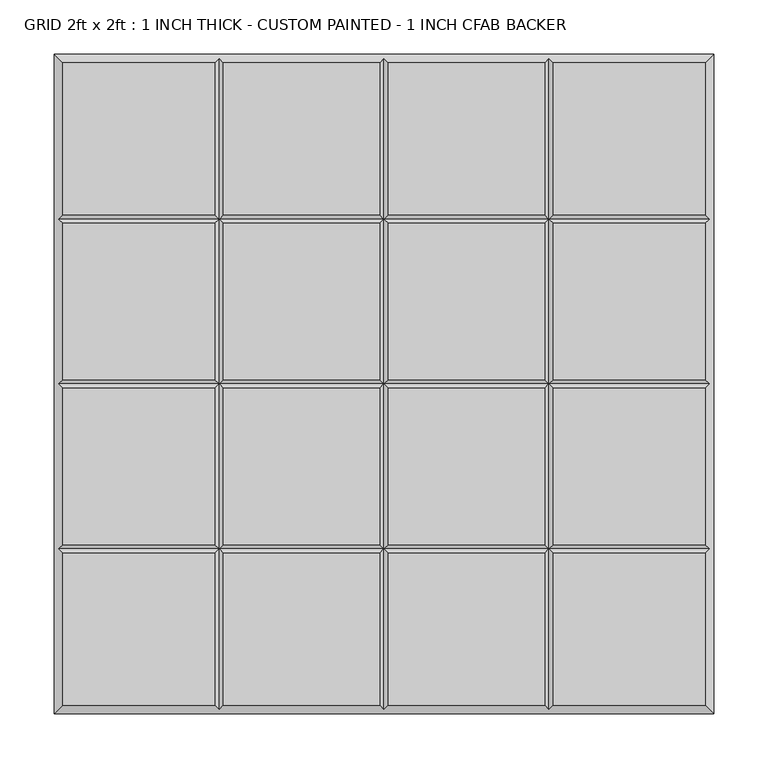
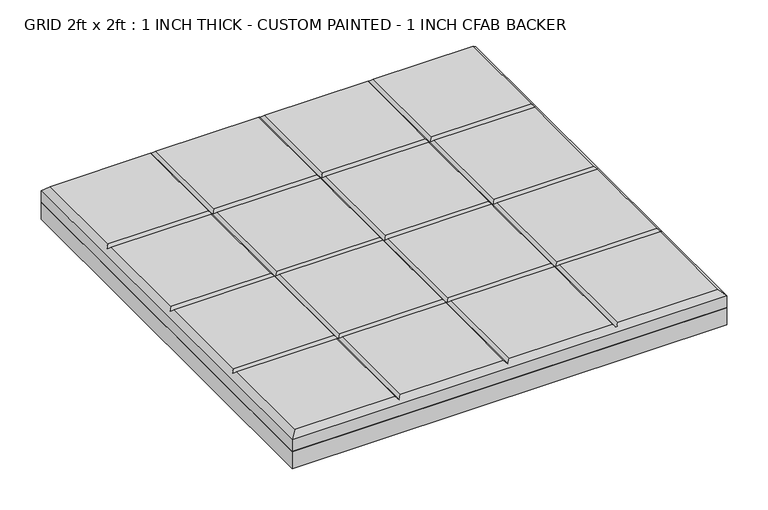
"""IFC4 building model written with IfcOpenShell, lengths in millimetres: proxy geometry, GRID 2ft x 2ft : 1 INCH THICK - CUSTOM PAINTED - 1 INCH CFAB BACKER."""

from ifc_helpers import new_model, si_unit, frame, origin, place, context, project, spatial, polyline, outline, extrude, faceted_brep, source, transform, mapped, element, save


def grid_2ft_x_2ft_1_inch_thick_custom_painted_1_inch_cfab_98970fe5(model_context):
    return source(origin(), model_context, "Body", "SolidModel", [
        extrude(outline(polyline([(-304.8, 304.8), (304.8, 304.8), (304.8, -304.8), (-304.8, -304.8), (-304.8, 304.8)])), frame((0.0, 0.0, -25.4), z_axis=(0.0, 0.0, 1.0), x_axis=(1.0, 0.0, 0.0)), (0.0, 0.0, 1.0), 25.4),
        faceted_brep([(-156.4009826, 296.799, 25.4), (-296.799, 296.799, 25.4), (-296.799, 156.4005254, 25.4), (-156.4009826, 156.4005254, 25.4), (-296.799, -296.799, 25.4), (-156.4009826, -296.799, 25.4), (-156.4009826, -156.4004746, 25.4), (-296.799, -156.4004746, 25.4), (-4.0004746, 296.799, 25.4), (-148.3999826, 296.799, 25.4), (-148.3999826, 156.4005254, 25.4), (-4.0004746, 156.4005254, 25.4), (-148.3999826, -296.799, 25.4), (-4.0004746, -296.799, 25.4), (-4.0004746, -156.4004746, 25.4), (-148.3999826, -156.4004746, 25.4), (296.799, 296.799, 25.4), (156.4010334, 296.799, 25.4), (156.4010334, 156.4005254, 25.4), (296.799, 156.4005254, 25.4), (148.4000334, 296.799, 25.4), (4.0005254, 296.799, 25.4), (4.0005254, 156.4005254, 25.4), (148.4000334, 156.4005254, 25.4), (156.4010334, -296.799, 25.4), (296.799, -296.799, 25.4), (296.799, -156.4004746, 25.4), (156.4010334, -156.4004746, 25.4), (4.0005254, -296.799, 25.4), (148.4000334, -296.799, 25.4), (148.4000334, -156.4004746, 25.4), (4.0005254, -156.4004746, 25.4), (-156.4009826, 148.3995254, 25.4), (-296.799, 148.3995254, 25.4), (-296.799, 4.0005254, 25.4), (-156.4009826, 4.0005254, 25.4), (296.799, 148.3995254, 25.4), (156.4010334, 148.3995254, 25.4), (156.4010334, 4.0005254, 25.4), (296.799, 4.0005254, 25.4), (-4.0004746, 148.3995254, 25.4), (-148.3999826, 148.3995254, 25.4), (-148.3999826, 4.0005254, 25.4), (-4.0004746, 4.0005254, 25.4), (148.4000334, 148.3995254, 25.4), (4.0005254, 148.3995254, 25.4), (4.0005254, 4.0005254, 25.4), (148.4000334, 4.0005254, 25.4), (-296.799, -148.3994746, 25.4), (-156.4009826, -148.3994746, 25.4), (-156.4009826, -4.0004746, 25.4), (-296.799, -4.0004746, 25.4), (-148.3999826, -148.3994746, 25.4), (-4.0004746, -148.3994746, 25.4), (-4.0004746, -4.0004746, 25.4), (-148.3999826, -4.0004746, 25.4), (156.4010334, -148.3994746, 25.4), (296.799, -148.3994746, 25.4), (296.799, -4.0004746, 25.4), (156.4010334, -4.0004746, 25.4), (4.0005254, -148.3994746, 25.4), (148.4000334, -148.3994746, 25.4), (148.4000334, -4.0004746, 25.4), (4.0005254, -4.0004746, 25.4), (-304.8, 304.8, 0.0), (304.8, 304.8, 0.0), (304.8, -304.8, 0.0), (-304.8, -304.8, 0.0), (-304.8, -304.8, 17.399), (-304.8, 304.8, 17.399), (304.8, -304.8, 17.399), (304.8, 304.8, 17.399), (-152.4004826, 300.7995, 21.3995), (2.54e-05, 300.7995, 21.3995), (152.4005334, 300.7995, 21.3995), (-300.7995, -152.3999746, 21.3995), (-300.7995, 2.54e-05, 21.3995), (-300.7995, 152.4000254, 21.3995), (152.4005334, -300.7995, 21.3995), (2.54e-05, -300.7995, 21.3995), (-152.4004826, -300.7995, 21.3995), (300.7995, 152.4000254, 21.3995), (300.7995, 2.54e-05, 21.3995), (300.7995, -152.3999746, 21.3995), (-152.4004826, 152.4000254, 21.3995), (-152.4004826, -152.3999746, 21.3995), (-152.4004826, 2.54e-05, 21.3995), (2.54e-05, 152.4000254, 21.3995), (2.54e-05, -152.3999746, 21.3995), (2.54e-05, 2.54e-05, 21.3995), (152.4005334, 152.4000254, 21.3995), (152.4005334, -152.3999746, 21.3995), (152.4005334, 2.54e-05, 21.3995)], [[[0, 1, 2, 3]], [[4, 5, 6, 7]], [[8, 9, 10, 11]], [[12, 13, 14, 15]], [[16, 17, 18, 19]], [[20, 21, 22, 23]], [[24, 25, 26, 27]], [[28, 29, 30, 31]], [[32, 33, 34, 35]], [[36, 37, 38, 39]], [[40, 41, 42, 43]], [[44, 45, 46, 47]], [[48, 49, 50, 51]], [[52, 53, 54, 55]], [[56, 57, 58, 59]], [[60, 61, 62, 63]], [[64, 65, 66, 67]], [[64, 67, 68, 69]], [[67, 66, 70, 68]], [[66, 65, 71, 70]], [[65, 64, 69, 71]], [[69, 1, 0, 72, 9, 8, 73, 21, 20, 74, 17, 16, 71]], [[1, 69, 68, 4, 7, 75, 48, 51, 76, 34, 33, 77, 2]], [[4, 68, 70, 25, 24, 78, 29, 28, 79, 13, 12, 80, 5]], [[71, 16, 19, 81, 36, 39, 82, 58, 57, 83, 26, 25, 70]], [[9, 72, 84, 10]], [[80, 12, 15, 85]], [[41, 84, 86, 42]], [[85, 52, 55, 86]], [[72, 0, 3, 84]], [[5, 80, 85, 6]], [[84, 32, 35, 86]], [[49, 85, 86, 50]], [[21, 73, 87, 22]], [[79, 28, 31, 88]], [[45, 87, 89, 46]], [[88, 60, 63, 89]], [[73, 8, 11, 87]], [[13, 79, 88, 14]], [[87, 40, 43, 89]], [[53, 88, 89, 54]], [[17, 74, 90, 18]], [[78, 24, 27, 91]], [[37, 90, 92, 38]], [[91, 56, 59, 92]], [[74, 20, 23, 90]], [[29, 78, 91, 30]], [[90, 44, 47, 92]], [[61, 91, 92, 62]], [[87, 84, 41, 40]], [[90, 87, 45, 44]], [[84, 77, 33, 32]], [[81, 90, 37, 36]], [[84, 87, 11, 10]], [[87, 90, 23, 22]], [[77, 84, 3, 2]], [[90, 81, 19, 18]], [[88, 85, 15, 14]], [[91, 88, 31, 30]], [[85, 75, 7, 6]], [[83, 91, 27, 26]], [[85, 88, 53, 52]], [[88, 91, 61, 60]], [[75, 85, 49, 48]], [[91, 83, 57, 56]], [[89, 86, 55, 54]], [[92, 89, 63, 62]], [[86, 76, 51, 50]], [[82, 92, 59, 58]], [[86, 89, 43, 42]], [[89, 92, 47, 46]], [[76, 86, 35, 34]], [[92, 82, 39, 38]]]),
    ])


if __name__ == "__main__":
    model = new_model("IFC4")
    model_context = context("Model", 3, world=origin())
    ifc_project = project(units=[si_unit("LENGTHUNIT", "METRE", prefix="MILLI")], contexts=[model_context])
    site = spatial("IfcSite", under=ifc_project)
    building = spatial("IfcBuilding", under=site)
    placement = place(None, origin())
    grid_2ft_x_2ft_1_inch_thick_custom_painted_1_inch_cfab_shape = grid_2ft_x_2ft_1_inch_thick_custom_painted_1_inch_cfab_98970fe5(model_context)
    element("IfcBuildingElementProxy", 1, Name="GRID 2ft x 2ft : 1 INCH THICK - CUSTOM PAINTED - 1 INCH CFAB BACKER", ObjectType="GRID 2ft x 2ft : 1 INCH THICK - CUSTOM PAINTED - 1 INCH CFAB BACKER", at=placement, inside=building, context=model_context, shape_type="MappedRepresentation", body=[
        mapped(grid_2ft_x_2ft_1_inch_thick_custom_painted_1_inch_cfab_shape, transform((0.0, 0.0, 0.0), x_axis=(1.0, 0.0, 0.0), y_axis=(0.0, 1.0, 0.0), z_axis=(0.0, 0.0, 1.0))),
    ])
    save(model, "model.ifc")
